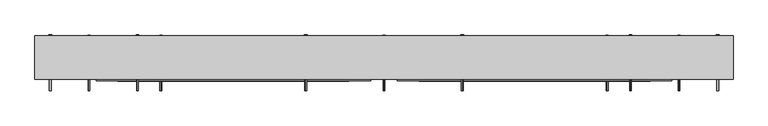
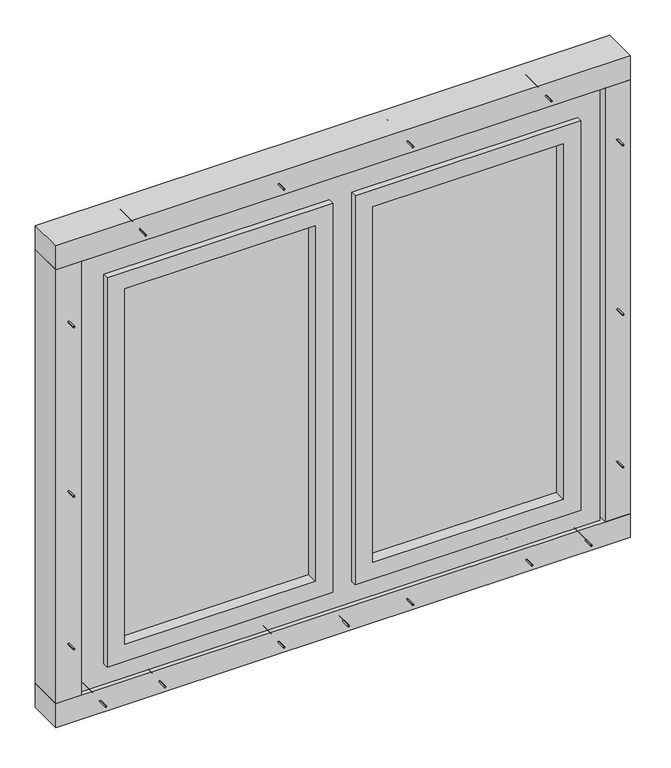
"""IFC4 building model written with IfcOpenShell, lengths in millimetres: proxy geometry."""

from ifc_helpers import new_model, si_unit, point, frame, frame_2d, origin, origin_with_axes, place, context, project, spatial, polyline, circle_curve, trimmed, segment, composite_curve, outline, extrude, source, transform, mapped, element, save


def generic_models_6074ea11(model_context):
    return source(origin(), model_context, "Body", "SweptSolid", [
        extrude(outline(polyline([(865.0, -25.0), (222.5, -25.0), (222.5, -15.0), (865.0, -15.0), (865.0, -25.0)])), frame((0.0, 0.0, 220.0), z_axis=(0.0, 0.0, 1.0), x_axis=(1.0, 0.0, 0.0)), (0.0, 0.0, 1.0), 1270.0),
        extrude(outline(polyline([(1625.0, 1000.0), (1625.0, -750.0), (85.0, -750.0), (85.0, 1000.0), (1625.0, 1000.0)]), holes=[polyline([(160.0, 925.0), (160.0, 162.5), (1550.0, 162.5), (1550.0, 925.0), (160.0, 925.0)]), polyline([(160.0, -675.0), (1550.0, -675.0), (1550.0, 87.5), (160.0, 87.5), (160.0, -675.0)])]), frame((0.0, -45.0, 0.0), z_axis=(0.0, 1.0, 0.0), x_axis=(0.0, 0.0, 1.0)), (0.0, 0.0, 1.0), 90.0),
        extrude(outline(polyline([(160.0, 925.0), (1550.0, 925.0), (1550.0, 162.5), (160.0, 162.5), (160.0, 925.0)]), holes=[polyline([(1490.0, 865.0), (220.0, 865.0), (220.0, 222.5), (1490.0, 222.5), (1490.0, 865.0)])]), frame((0.0, -65.0, 0.0), z_axis=(0.0, 1.0, 0.0), x_axis=(0.0, 0.0, 1.0)), (0.0, 0.0, 1.0), 90.0),
        extrude(outline(polyline([(-615.0, -25.0), (-615.0, -15.0), (27.5, -15.0), (27.5, -25.0), (-615.0, -25.0)])), frame((0.0, 0.0, 220.0), z_axis=(0.0, 0.0, 1.0), x_axis=(1.0, 0.0, 0.0)), (0.0, 0.0, 1.0), 1270.0),
        extrude(outline(polyline([(160.0, 87.5), (1550.0, 87.5), (1550.0, -675.0), (160.0, -675.0), (160.0, 87.5)]), holes=[polyline([(1490.0, 27.5), (220.0, 27.5), (220.0, -615.0), (1490.0, -615.0), (1490.0, 27.5)])]), frame((0.0, -65.0, 0.0), z_axis=(0.0, 1.0, 0.0), x_axis=(0.0, 0.0, 1.0)), (0.0, 0.0, 1.0), 90.0),
        extrude(outline(composite_curve([segment(trimmed(circle_curve(frame_2d((-525.0, 0.0)), 2.4700592), [point((-525.0, -2.4700592))], [point((-525.0, 2.4700592))], False, "CARTESIAN"), True, "CONTINUOUS"), segment(trimmed(circle_curve(frame_2d((-525.0, 0.0)), 2.4700592), [point((-525.0, 2.4700592))], [point((-525.0, -2.4700592))], False, "CARTESIAN"), True, "CONTINUOUS")], self_intersect=False)), frame((0.0, 0.0, 1550.0), z_axis=(0.0, 0.0, 1.0), x_axis=(1.0, 0.0, 0.0)), (0.0, 0.0, 1.0), 145.0),
        extrude(outline(composite_curve([segment(trimmed(circle_curve(frame_2d((-525.0, 0.0)), 3.8), [point((-525.0, -3.8))], [point((-525.0, 3.8))], False, "CARTESIAN"), True, "CONTINUOUS"), segment(trimmed(circle_curve(frame_2d((-525.0, 0.0)), 3.8), [point((-525.0, 3.8))], [point((-525.0, -3.8))], False, "CARTESIAN"), True, "CONTINUOUS")], self_intersect=False)), frame((0.0, 0.0, 1547.0), z_axis=(0.0, 0.0, 1.0), x_axis=(1.0, 0.0, 0.0)), (0.0, 0.0, 1.0), 3.0),
        extrude(outline(composite_curve([segment(trimmed(circle_curve(frame_2d((775.0, 0.0)), 2.4700592), [point((775.0, -2.4700592))], [point((775.0, 2.4700592))], False, "CARTESIAN"), True, "CONTINUOUS"), segment(trimmed(circle_curve(frame_2d((775.0, 0.0)), 2.4700592), [point((775.0, 2.4700592))], [point((775.0, -2.4700592))], False, "CARTESIAN"), True, "CONTINUOUS")], self_intersect=False)), frame((0.0, 0.0, 1550.0), z_axis=(0.0, 0.0, 1.0), x_axis=(1.0, 0.0, 0.0)), (0.0, 0.0, 1.0), 145.0),
        extrude(outline(composite_curve([segment(trimmed(circle_curve(frame_2d((775.0, 0.0)), 3.8), [point((775.0, -3.8))], [point((775.0, 3.8))], False, "CARTESIAN"), True, "CONTINUOUS"), segment(trimmed(circle_curve(frame_2d((775.0, 0.0)), 3.8), [point((775.0, 3.8))], [point((775.0, -3.8))], False, "CARTESIAN"), True, "CONTINUOUS")], self_intersect=False)), frame((0.0, 0.0, 1547.0), z_axis=(0.0, 0.0, 1.0), x_axis=(1.0, 0.0, 0.0)), (0.0, 0.0, 1.0), 3.0),
        extrude(outline(composite_curve([segment(trimmed(circle_curve(frame_2d((1677.5, 342.5)), 2.4700592), [point((1679.9700592, 342.5))], [point((1675.0299408, 342.5))], False, "CARTESIAN"), True, "CONTINUOUS"), segment(trimmed(circle_curve(frame_2d((1677.5, 342.5)), 2.4700592), [point((1675.0299408, 342.5))], [point((1679.9700592, 342.5))], False, "CARTESIAN"), True, "CONTINUOUS")], self_intersect=False)), frame((0.0, -92.0, 0.0), z_axis=(0.0, 1.0, 0.0), x_axis=(0.0, 0.0, 1.0)), (0.0, 0.0, 1.0), 152.0),
        extrude(outline(composite_curve([segment(trimmed(circle_curve(frame_2d((1677.5, 342.5)), 3.8), [point((1681.3, 342.5))], [point((1673.7, 342.5))], False, "CARTESIAN"), True, "CONTINUOUS"), segment(trimmed(circle_curve(frame_2d((1677.5, 342.5)), 3.8), [point((1673.7, 342.5))], [point((1681.3, 342.5))], False, "CARTESIAN"), True, "CONTINUOUS")], self_intersect=False)), frame((0.0, 60.0, 0.0), z_axis=(0.0, 1.0, 0.0), x_axis=(0.0, 0.0, 1.0)), (0.0, 0.0, 1.0), 3.0),
        extrude(outline(composite_curve([segment(trimmed(circle_curve(frame_2d((312.5, 0.0)), 2.4700592), [point((312.5, -2.4700592))], [point((312.5, 2.4700592))], False, "CARTESIAN"), True, "CONTINUOUS"), segment(trimmed(circle_curve(frame_2d((312.5, 0.0)), 2.4700592), [point((312.5, 2.4700592))], [point((312.5, -2.4700592))], False, "CARTESIAN"), True, "CONTINUOUS")], self_intersect=False)), frame((0.0, 0.0, 1550.0), z_axis=(0.0, 0.0, 1.0), x_axis=(1.0, 0.0, 0.0)), (0.0, 0.0, 1.0), 145.0),
        extrude(outline(composite_curve([segment(trimmed(circle_curve(frame_2d((312.5, 0.0)), 3.8), [point((312.5, -3.8))], [point((312.5, 3.8))], False, "CARTESIAN"), True, "CONTINUOUS"), segment(trimmed(circle_curve(frame_2d((312.5, 0.0)), 3.8), [point((312.5, 3.8))], [point((312.5, -3.8))], False, "CARTESIAN"), True, "CONTINUOUS")], self_intersect=False)), frame((0.0, 0.0, 1547.0), z_axis=(0.0, 0.0, 1.0), x_axis=(1.0, 0.0, 0.0)), (0.0, 0.0, 1.0), 3.0),
        extrude(outline(composite_curve([segment(trimmed(circle_curve(frame_2d((1677.5, -92.5)), 2.4700592), [point((1679.9700592, -92.5))], [point((1675.0299408, -92.5))], False, "CARTESIAN"), True, "CONTINUOUS"), segment(trimmed(circle_curve(frame_2d((1677.5, -92.5)), 2.4700592), [point((1675.0299408, -92.5))], [point((1679.9700592, -92.5))], False, "CARTESIAN"), True, "CONTINUOUS")], self_intersect=False)), frame((0.0, -92.0, 0.0), z_axis=(0.0, 1.0, 0.0), x_axis=(0.0, 0.0, 1.0)), (0.0, 0.0, 1.0), 152.0),
        extrude(outline(composite_curve([segment(trimmed(circle_curve(frame_2d((1677.5, -92.5)), 3.8), [point((1681.3, -92.5))], [point((1673.7, -92.5))], False, "CARTESIAN"), True, "CONTINUOUS"), segment(trimmed(circle_curve(frame_2d((1677.5, -92.5)), 3.8), [point((1673.7, -92.5))], [point((1681.3, -92.5))], False, "CARTESIAN"), True, "CONTINUOUS")], self_intersect=False)), frame((0.0, 60.0, 0.0), z_axis=(0.0, 1.0, 0.0), x_axis=(0.0, 0.0, 1.0)), (0.0, 0.0, 1.0), 3.0),
        extrude(outline(composite_curve([segment(trimmed(circle_curve(frame_2d((-62.5, 0.0)), 2.4700592), [point((-62.5, -2.4700592))], [point((-62.5, 2.4700592))], False, "CARTESIAN"), True, "CONTINUOUS"), segment(trimmed(circle_curve(frame_2d((-62.5, 0.0)), 2.4700592), [point((-62.5, 2.4700592))], [point((-62.5, -2.4700592))], False, "CARTESIAN"), True, "CONTINUOUS")], self_intersect=False)), frame((0.0, 0.0, 1550.0), z_axis=(0.0, 0.0, 1.0), x_axis=(1.0, 0.0, 0.0)), (0.0, 0.0, 1.0), 145.0),
        extrude(outline(composite_curve([segment(trimmed(circle_curve(frame_2d((-62.5, 0.0)), 3.8), [point((-62.5, -3.8))], [point((-62.5, 3.8))], False, "CARTESIAN"), True, "CONTINUOUS"), segment(trimmed(circle_curve(frame_2d((-62.5, 0.0)), 3.8), [point((-62.5, 3.8))], [point((-62.5, -3.8))], False, "CARTESIAN"), True, "CONTINUOUS")], self_intersect=False)), frame((0.0, 0.0, 1547.0), z_axis=(0.0, 0.0, 1.0), x_axis=(1.0, 0.0, 0.0)), (0.0, 0.0, 1.0), 3.0),
        extrude(outline(composite_curve([segment(trimmed(circle_curve(frame_2d((1677.5, -560.0)), 2.4700592), [point((1679.9700592, -560.0))], [point((1675.0299408, -560.0))], False, "CARTESIAN"), True, "CONTINUOUS"), segment(trimmed(circle_curve(frame_2d((1677.5, -560.0)), 2.4700592), [point((1675.0299408, -560.0))], [point((1679.9700592, -560.0))], False, "CARTESIAN"), True, "CONTINUOUS")], self_intersect=False)), frame((0.0, -92.0, 0.0), z_axis=(0.0, 1.0, 0.0), x_axis=(0.0, 0.0, 1.0)), (0.0, 0.0, 1.0), 152.0),
        extrude(outline(composite_curve([segment(trimmed(circle_curve(frame_2d((1677.5, -560.0)), 3.8), [point((1681.3, -560.0))], [point((1673.7, -560.0))], False, "CARTESIAN"), True, "CONTINUOUS"), segment(trimmed(circle_curve(frame_2d((1677.5, -560.0)), 3.8), [point((1673.7, -560.0))], [point((1681.3, -560.0))], False, "CARTESIAN"), True, "CONTINUOUS")], self_intersect=False)), frame((0.0, 60.0, 0.0), z_axis=(0.0, 1.0, 0.0), x_axis=(0.0, 0.0, 1.0)), (0.0, 0.0, 1.0), 3.0),
        extrude(outline(composite_curve([segment(trimmed(circle_curve(frame_2d((1677.5, 810.0)), 2.4700592), [point((1679.9700592, 810.0))], [point((1675.0299408, 810.0))], False, "CARTESIAN"), True, "CONTINUOUS"), segment(trimmed(circle_curve(frame_2d((1677.5, 810.0)), 2.4700592), [point((1675.0299408, 810.0))], [point((1679.9700592, 810.0))], False, "CARTESIAN"), True, "CONTINUOUS")], self_intersect=False)), frame((0.0, -92.0, 0.0), z_axis=(0.0, 1.0, 0.0), x_axis=(0.0, 0.0, 1.0)), (0.0, 0.0, 1.0), 152.0),
        extrude(outline(composite_curve([segment(trimmed(circle_curve(frame_2d((1677.5, 810.0)), 3.8), [point((1681.3, 810.0))], [point((1673.7, 810.0))], False, "CARTESIAN"), True, "CONTINUOUS"), segment(trimmed(circle_curve(frame_2d((1677.5, 810.0)), 3.8), [point((1673.7, 810.0))], [point((1681.3, 810.0))], False, "CARTESIAN"), True, "CONTINUOUS")], self_intersect=False)), frame((0.0, 60.0, 0.0), z_axis=(0.0, 1.0, 0.0), x_axis=(0.0, 0.0, 1.0)), (0.0, 0.0, 1.0), 3.0),
        extrude(outline(polyline([(1095.0, -60.0), (-845.0, -60.0), (-845.0, 60.0), (1095.0, 60.0), (1095.0, -60.0)])), frame((0.0, 0.0, 1635.0), z_axis=(0.0, 0.0, 1.0), x_axis=(1.0, 0.0, 0.0)), (0.0, 0.0, 1.0), 85.0),
        extrude(outline(composite_curve([segment(trimmed(circle_curve(frame_2d((42.5, -495.0)), 2.4700592), [point((44.9700592, -495.0))], [point((40.0299408, -495.0))], False, "CARTESIAN"), True, "CONTINUOUS"), segment(trimmed(circle_curve(frame_2d((42.5, -495.0)), 2.4700592), [point((40.0299408, -495.0))], [point((44.9700592, -495.0))], False, "CARTESIAN"), True, "CONTINUOUS")], self_intersect=False)), frame((0.0, -92.0, 0.0), z_axis=(0.0, 1.0, 0.0), x_axis=(0.0, 0.0, 1.0)), (0.0, 0.0, 1.0), 152.0),
        extrude(outline(composite_curve([segment(trimmed(circle_curve(frame_2d((42.5, -495.0)), 3.8), [point((46.3, -495.0))], [point((38.7, -495.0))], False, "CARTESIAN"), True, "CONTINUOUS"), segment(trimmed(circle_curve(frame_2d((42.5, -495.0)), 3.8), [point((38.7, -495.0))], [point((46.3, -495.0))], False, "CARTESIAN"), True, "CONTINUOUS")], self_intersect=False)), frame((0.0, 60.0, 0.0), z_axis=(0.0, 1.0, 0.0), x_axis=(0.0, 0.0, 1.0)), (0.0, 0.0, 1.0), 3.0),
        extrude(outline(composite_curve([segment(trimmed(circle_curve(frame_2d((-525.0, 0.0)), 2.4700592), [point((-525.0, -2.4700592))], [point((-525.0, 2.4700592))], False, "CARTESIAN"), True, "CONTINUOUS"), segment(trimmed(circle_curve(frame_2d((-525.0, 0.0)), 2.4700592), [point((-525.0, 2.4700592))], [point((-525.0, -2.4700592))], False, "CARTESIAN"), True, "CONTINUOUS")], self_intersect=False)), frame((0.0, 0.0, 25.0), z_axis=(0.0, 0.0, 1.0), x_axis=(1.0, 0.0, 0.0)), (0.0, 0.0, 1.0), 135.0),
        extrude(outline(composite_curve([segment(trimmed(circle_curve(frame_2d((-525.0, 0.0)), 3.8), [point((-525.0, -3.8))], [point((-525.0, 3.8))], False, "CARTESIAN"), True, "CONTINUOUS"), segment(trimmed(circle_curve(frame_2d((-525.0, 0.0)), 3.8), [point((-525.0, 3.8))], [point((-525.0, -3.8))], False, "CARTESIAN"), True, "CONTINUOUS")], self_intersect=False)), frame((0.0, 0.0, 160.0), z_axis=(0.0, 0.0, 1.0), x_axis=(1.0, 0.0, 0.0)), (0.0, 0.0, 1.0), 3.0),
        extrude(outline(composite_curve([segment(trimmed(circle_curve(frame_2d((42.5, -92.5)), 2.4700592), [point((44.9700592, -92.5))], [point((40.0299408, -92.5))], False, "CARTESIAN"), True, "CONTINUOUS"), segment(trimmed(circle_curve(frame_2d((42.5, -92.5)), 2.4700592), [point((40.0299408, -92.5))], [point((44.9700592, -92.5))], False, "CARTESIAN"), True, "CONTINUOUS")], self_intersect=False)), frame((0.0, -92.0, 0.0), z_axis=(0.0, 1.0, 0.0), x_axis=(0.0, 0.0, 1.0)), (0.0, 0.0, 1.0), 152.0),
        extrude(outline(composite_curve([segment(trimmed(circle_curve(frame_2d((42.5, -92.5)), 3.8), [point((46.3, -92.5))], [point((38.7, -92.5))], False, "CARTESIAN"), True, "CONTINUOUS"), segment(trimmed(circle_curve(frame_2d((42.5, -92.5)), 3.8), [point((38.7, -92.5))], [point((46.3, -92.5))], False, "CARTESIAN"), True, "CONTINUOUS")], self_intersect=False)), frame((0.0, 60.0, 0.0), z_axis=(0.0, 1.0, 0.0), x_axis=(0.0, 0.0, 1.0)), (0.0, 0.0, 1.0), 3.0),
        extrude(outline(composite_curve([segment(trimmed(circle_curve(frame_2d((-62.5, 0.0)), 2.4700592), [point((-62.5, -2.4700592))], [point((-62.5, 2.4700592))], False, "CARTESIAN"), True, "CONTINUOUS"), segment(trimmed(circle_curve(frame_2d((-62.5, 0.0)), 2.4700592), [point((-62.5, 2.4700592))], [point((-62.5, -2.4700592))], False, "CARTESIAN"), True, "CONTINUOUS")], self_intersect=False)), frame((0.0, 0.0, 25.0), z_axis=(0.0, 0.0, 1.0), x_axis=(1.0, 0.0, 0.0)), (0.0, 0.0, 1.0), 135.0),
        extrude(outline(composite_curve([segment(trimmed(circle_curve(frame_2d((-62.5, 0.0)), 3.8), [point((-62.5, -3.8))], [point((-62.5, 3.8))], False, "CARTESIAN"), True, "CONTINUOUS"), segment(trimmed(circle_curve(frame_2d((-62.5, 0.0)), 3.8), [point((-62.5, 3.8))], [point((-62.5, -3.8))], False, "CARTESIAN"), True, "CONTINUOUS")], self_intersect=False)), frame((0.0, 0.0, 160.0), z_axis=(0.0, 0.0, 1.0), x_axis=(1.0, 0.0, 0.0)), (0.0, 0.0, 1.0), 3.0),
        extrude(outline(composite_curve([segment(trimmed(circle_curve(frame_2d((42.5, 745.0)), 2.4700592), [point((44.9700592, 745.0))], [point((40.0299408, 745.0))], False, "CARTESIAN"), True, "CONTINUOUS"), segment(trimmed(circle_curve(frame_2d((42.5, 745.0)), 2.4700592), [point((40.0299408, 745.0))], [point((44.9700592, 745.0))], False, "CARTESIAN"), True, "CONTINUOUS")], self_intersect=False)), frame((0.0, -92.0, 0.0), z_axis=(0.0, 1.0, 0.0), x_axis=(0.0, 0.0, 1.0)), (0.0, 0.0, 1.0), 152.0),
        extrude(outline(composite_curve([segment(trimmed(circle_curve(frame_2d((42.5, 745.0)), 3.8), [point((46.3, 745.0))], [point((38.7, 745.0))], False, "CARTESIAN"), True, "CONTINUOUS"), segment(trimmed(circle_curve(frame_2d((42.5, 745.0)), 3.8), [point((38.7, 745.0))], [point((46.3, 745.0))], False, "CARTESIAN"), True, "CONTINUOUS")], self_intersect=False)), frame((0.0, 60.0, 0.0), z_axis=(0.0, 1.0, 0.0), x_axis=(0.0, 0.0, 1.0)), (0.0, 0.0, 1.0), 3.0),
        extrude(outline(composite_curve([segment(trimmed(circle_curve(frame_2d((775.0, 0.0)), 2.4700592), [point((775.0, -2.4700592))], [point((775.0, 2.4700592))], False, "CARTESIAN"), True, "CONTINUOUS"), segment(trimmed(circle_curve(frame_2d((775.0, 0.0)), 2.4700592), [point((775.0, 2.4700592))], [point((775.0, -2.4700592))], False, "CARTESIAN"), True, "CONTINUOUS")], self_intersect=False)), frame((0.0, 0.0, 25.0), z_axis=(0.0, 0.0, 1.0), x_axis=(1.0, 0.0, 0.0)), (0.0, 0.0, 1.0), 135.0),
        extrude(outline(composite_curve([segment(trimmed(circle_curve(frame_2d((775.0, 0.0)), 3.8), [point((775.0, -3.8))], [point((775.0, 3.8))], False, "CARTESIAN"), True, "CONTINUOUS"), segment(trimmed(circle_curve(frame_2d((775.0, 0.0)), 3.8), [point((775.0, 3.8))], [point((775.0, -3.8))], False, "CARTESIAN"), True, "CONTINUOUS")], self_intersect=False)), frame((0.0, 0.0, 160.0), z_axis=(0.0, 0.0, 1.0), x_axis=(1.0, 0.0, 0.0)), (0.0, 0.0, 1.0), 3.0),
        extrude(outline(composite_curve([segment(trimmed(circle_curve(frame_2d((42.5, 342.5)), 2.4700592), [point((44.9700592, 342.5))], [point((40.0299408, 342.5))], False, "CARTESIAN"), True, "CONTINUOUS"), segment(trimmed(circle_curve(frame_2d((42.5, 342.5)), 2.4700592), [point((40.0299408, 342.5))], [point((44.9700592, 342.5))], False, "CARTESIAN"), True, "CONTINUOUS")], self_intersect=False)), frame((0.0, -92.0, 0.0), z_axis=(0.0, 1.0, 0.0), x_axis=(0.0, 0.0, 1.0)), (0.0, 0.0, 1.0), 152.0),
        extrude(outline(composite_curve([segment(trimmed(circle_curve(frame_2d((42.5, 342.5)), 3.8), [point((46.3, 342.5))], [point((38.7, 342.5))], False, "CARTESIAN"), True, "CONTINUOUS"), segment(trimmed(circle_curve(frame_2d((42.5, 342.5)), 3.8), [point((38.7, 342.5))], [point((46.3, 342.5))], False, "CARTESIAN"), True, "CONTINUOUS")], self_intersect=False)), frame((0.0, 60.0, 0.0), z_axis=(0.0, 1.0, 0.0), x_axis=(0.0, 0.0, 1.0)), (0.0, 0.0, 1.0), 3.0),
        extrude(outline(composite_curve([segment(trimmed(circle_curve(frame_2d((312.5, 0.0)), 2.4700592), [point((312.5, -2.4700592))], [point((312.5, 2.4700592))], False, "CARTESIAN"), True, "CONTINUOUS"), segment(trimmed(circle_curve(frame_2d((312.5, 0.0)), 2.4700592), [point((312.5, 2.4700592))], [point((312.5, -2.4700592))], False, "CARTESIAN"), True, "CONTINUOUS")], self_intersect=False)), frame((0.0, 0.0, 25.0), z_axis=(0.0, 0.0, 1.0), x_axis=(1.0, 0.0, 0.0)), (0.0, 0.0, 1.0), 135.0),
        extrude(outline(composite_curve([segment(trimmed(circle_curve(frame_2d((312.5, 0.0)), 3.8), [point((312.5, -3.8))], [point((312.5, 3.8))], False, "CARTESIAN"), True, "CONTINUOUS"), segment(trimmed(circle_curve(frame_2d((312.5, 0.0)), 3.8), [point((312.5, 3.8))], [point((312.5, -3.8))], False, "CARTESIAN"), True, "CONTINUOUS")], self_intersect=False)), frame((0.0, 0.0, 160.0), z_axis=(0.0, 0.0, 1.0), x_axis=(1.0, 0.0, 0.0)), (0.0, 0.0, 1.0), 3.0),
        extrude(outline(composite_curve([segment(trimmed(circle_curve(frame_2d((42.5, 125.0)), 2.4700592), [point((44.9700592, 125.0))], [point((40.0299408, 125.0))], False, "CARTESIAN"), True, "CONTINUOUS"), segment(trimmed(circle_curve(frame_2d((42.5, 125.0)), 2.4700592), [point((40.0299408, 125.0))], [point((44.9700592, 125.0))], False, "CARTESIAN"), True, "CONTINUOUS")], self_intersect=False)), frame((0.0, -92.0, 0.0), z_axis=(0.0, 1.0, 0.0), x_axis=(0.0, 0.0, 1.0)), (0.0, 0.0, 1.0), 152.0),
        extrude(outline(composite_curve([segment(trimmed(circle_curve(frame_2d((42.5, 125.0)), 3.8), [point((46.3, 125.0))], [point((38.7, 125.0))], False, "CARTESIAN"), True, "CONTINUOUS"), segment(trimmed(circle_curve(frame_2d((42.5, 125.0)), 3.8), [point((38.7, 125.0))], [point((46.3, 125.0))], False, "CARTESIAN"), True, "CONTINUOUS")], self_intersect=False)), frame((0.0, 60.0, 0.0), z_axis=(0.0, 1.0, 0.0), x_axis=(0.0, 0.0, 1.0)), (0.0, 0.0, 1.0), 3.0),
        extrude(outline(composite_curve([segment(trimmed(circle_curve(frame_2d((42.5, -695.0)), 2.4700592), [point((44.9700592, -695.0))], [point((40.0299408, -695.0))], False, "CARTESIAN"), True, "CONTINUOUS"), segment(trimmed(circle_curve(frame_2d((42.5, -695.0)), 2.4700592), [point((40.0299408, -695.0))], [point((44.9700592, -695.0))], False, "CARTESIAN"), True, "CONTINUOUS")], self_intersect=False)), frame((0.0, -92.0, 0.0), z_axis=(0.0, 1.0, 0.0), x_axis=(0.0, 0.0, 1.0)), (0.0, 0.0, 1.0), 152.0),
        extrude(outline(composite_curve([segment(trimmed(circle_curve(frame_2d((42.5, -695.0)), 3.8), [point((46.3, -695.0))], [point((38.7, -695.0))], False, "CARTESIAN"), True, "CONTINUOUS"), segment(trimmed(circle_curve(frame_2d((42.5, -695.0)), 3.8), [point((38.7, -695.0))], [point((46.3, -695.0))], False, "CARTESIAN"), True, "CONTINUOUS")], self_intersect=False)), frame((0.0, 60.0, 0.0), z_axis=(0.0, 1.0, 0.0), x_axis=(0.0, 0.0, 1.0)), (0.0, 0.0, 1.0), 3.0),
        extrude(outline(composite_curve([segment(trimmed(circle_curve(frame_2d((42.5, 945.0)), 2.4700592), [point((44.9700592, 945.0))], [point((40.0299408, 945.0))], False, "CARTESIAN"), True, "CONTINUOUS"), segment(trimmed(circle_curve(frame_2d((42.5, 945.0)), 2.4700592), [point((40.0299408, 945.0))], [point((44.9700592, 945.0))], False, "CARTESIAN"), True, "CONTINUOUS")], self_intersect=False)), frame((0.0, -92.0, 0.0), z_axis=(0.0, 1.0, 0.0), x_axis=(0.0, 0.0, 1.0)), (0.0, 0.0, 1.0), 152.0),
        extrude(outline(composite_curve([segment(trimmed(circle_curve(frame_2d((42.5, 945.0)), 3.8), [point((46.3, 945.0))], [point((38.7, 945.0))], False, "CARTESIAN"), True, "CONTINUOUS"), segment(trimmed(circle_curve(frame_2d((42.5, 945.0)), 3.8), [point((38.7, 945.0))], [point((46.3, 945.0))], False, "CARTESIAN"), True, "CONTINUOUS")], self_intersect=False)), frame((0.0, 60.0, 0.0), z_axis=(0.0, 1.0, 0.0), x_axis=(0.0, 0.0, 1.0)), (0.0, 0.0, 1.0), 3.0),
        extrude(outline(polyline([(1095.0, -60.0), (-845.0, -60.0), (-845.0, 60.0), (1095.0, 60.0), (1095.0, -60.0)])), origin_with_axes(), (0.0, 0.0, 1.0), 85.0),
        extrude(outline(composite_curve([segment(trimmed(circle_curve(frame_2d((0.0, 310.0)), 2.4700592), [point((-2.4700592, 310.0))], [point((2.4700592, 310.0))], False, "CARTESIAN"), True, "CONTINUOUS"), segment(trimmed(circle_curve(frame_2d((0.0, 310.0)), 2.4700592), [point((2.4700592, 310.0))], [point((-2.4700592, 310.0))], False, "CARTESIAN"), True, "CONTINUOUS")], self_intersect=False)), frame((-820.0, 0.0, 0.0), z_axis=(1.0, 0.0, 0.0), x_axis=(0.0, 1.0, 0.0)), (0.0, 0.0, 1.0), 145.0),
        extrude(outline(composite_curve([segment(trimmed(circle_curve(frame_2d((0.0, 310.0)), 3.8), [point((-3.8, 310.0))], [point((3.8, 310.0))], False, "CARTESIAN"), True, "CONTINUOUS"), segment(trimmed(circle_curve(frame_2d((0.0, 310.0)), 3.8), [point((3.8, 310.0))], [point((-3.8, 310.0))], False, "CARTESIAN"), True, "CONTINUOUS")], self_intersect=False)), frame((-675.0, 0.0, 0.0), z_axis=(1.0, 0.0, 0.0), x_axis=(0.0, 1.0, 0.0)), (0.0, 0.0, 1.0), 3.0),
        extrude(outline(composite_curve([segment(trimmed(circle_curve(frame_2d((0.0, 1400.0)), 2.4700592), [point((-2.4700592, 1400.0))], [point((2.4700592, 1400.0))], False, "CARTESIAN"), True, "CONTINUOUS"), segment(trimmed(circle_curve(frame_2d((0.0, 1400.0)), 2.4700592), [point((2.4700592, 1400.0))], [point((-2.4700592, 1400.0))], False, "CARTESIAN"), True, "CONTINUOUS")], self_intersect=False)), frame((-820.0, 0.0, 0.0), z_axis=(1.0, 0.0, 0.0), x_axis=(0.0, 1.0, 0.0)), (0.0, 0.0, 1.0), 145.0),
        extrude(outline(composite_curve([segment(trimmed(circle_curve(frame_2d((0.0, 1400.0)), 3.8), [point((-3.8, 1400.0))], [point((3.8, 1400.0))], False, "CARTESIAN"), True, "CONTINUOUS"), segment(trimmed(circle_curve(frame_2d((0.0, 1400.0)), 3.8), [point((3.8, 1400.0))], [point((-3.8, 1400.0))], False, "CARTESIAN"), True, "CONTINUOUS")], self_intersect=False)), frame((-675.0, 0.0, 0.0), z_axis=(1.0, 0.0, 0.0), x_axis=(0.0, 1.0, 0.0)), (0.0, 0.0, 1.0), 3.0),
        extrude(outline(composite_curve([segment(trimmed(circle_curve(frame_2d((830.0, -802.5)), 2.4700592), [point((830.0, -804.9700592))], [point((830.0, -800.0299408))], False, "CARTESIAN"), True, "CONTINUOUS"), segment(trimmed(circle_curve(frame_2d((830.0, -802.5)), 2.4700592), [point((830.0, -800.0299408))], [point((830.0, -804.9700592))], False, "CARTESIAN"), True, "CONTINUOUS")], self_intersect=False)), frame((0.0, -92.0, 0.0), z_axis=(0.0, 1.0, 0.0), x_axis=(0.0, 0.0, 1.0)), (0.0, 0.0, 1.0), 152.0),
        extrude(outline(composite_curve([segment(trimmed(circle_curve(frame_2d((830.0, -802.5)), 3.8), [point((830.0, -806.3))], [point((830.0, -798.7))], False, "CARTESIAN"), True, "CONTINUOUS"), segment(trimmed(circle_curve(frame_2d((830.0, -802.5)), 3.8), [point((830.0, -798.7))], [point((830.0, -806.3))], False, "CARTESIAN"), True, "CONTINUOUS")], self_intersect=False)), frame((0.0, 60.0, 0.0), z_axis=(0.0, 1.0, 0.0), x_axis=(0.0, 0.0, 1.0)), (0.0, 0.0, 1.0), 3.0),
        extrude(outline(composite_curve([segment(trimmed(circle_curve(frame_2d((0.0, 860.0)), 2.4700592), [point((-2.4700592, 860.0))], [point((2.4700592, 860.0))], False, "CARTESIAN"), True, "CONTINUOUS"), segment(trimmed(circle_curve(frame_2d((0.0, 860.0)), 2.4700592), [point((2.4700592, 860.0))], [point((-2.4700592, 860.0))], False, "CARTESIAN"), True, "CONTINUOUS")], self_intersect=False)), frame((-820.0, 0.0, 0.0), z_axis=(1.0, 0.0, 0.0), x_axis=(0.0, 1.0, 0.0)), (0.0, 0.0, 1.0), 145.0),
        extrude(outline(composite_curve([segment(trimmed(circle_curve(frame_2d((0.0, 860.0)), 3.8), [point((-3.8, 860.0))], [point((3.8, 860.0))], False, "CARTESIAN"), True, "CONTINUOUS"), segment(trimmed(circle_curve(frame_2d((0.0, 860.0)), 3.8), [point((3.8, 860.0))], [point((-3.8, 860.0))], False, "CARTESIAN"), True, "CONTINUOUS")], self_intersect=False)), frame((-675.0, 0.0, 0.0), z_axis=(1.0, 0.0, 0.0), x_axis=(0.0, 1.0, 0.0)), (0.0, 0.0, 1.0), 3.0),
        extrude(outline(composite_curve([segment(trimmed(circle_curve(frame_2d((1435.0, -802.5)), 2.4700592), [point((1435.0, -804.9700592))], [point((1435.0, -800.0299408))], False, "CARTESIAN"), True, "CONTINUOUS"), segment(trimmed(circle_curve(frame_2d((1435.0, -802.5)), 2.4700592), [point((1435.0, -800.0299408))], [point((1435.0, -804.9700592))], False, "CARTESIAN"), True, "CONTINUOUS")], self_intersect=False)), frame((0.0, -92.0, 0.0), z_axis=(0.0, 1.0, 0.0), x_axis=(0.0, 0.0, 1.0)), (0.0, 0.0, 1.0), 152.0),
        extrude(outline(composite_curve([segment(trimmed(circle_curve(frame_2d((1435.0, -802.5)), 3.8), [point((1435.0, -806.3))], [point((1435.0, -798.7))], False, "CARTESIAN"), True, "CONTINUOUS"), segment(trimmed(circle_curve(frame_2d((1435.0, -802.5)), 3.8), [point((1435.0, -798.7))], [point((1435.0, -806.3))], False, "CARTESIAN"), True, "CONTINUOUS")], self_intersect=False)), frame((0.0, 60.0, 0.0), z_axis=(0.0, 1.0, 0.0), x_axis=(0.0, 0.0, 1.0)), (0.0, 0.0, 1.0), 3.0),
        extrude(outline(composite_curve([segment(trimmed(circle_curve(frame_2d((285.0, -802.5)), 2.4700592), [point((285.0, -804.9700592))], [point((285.0, -800.0299408))], False, "CARTESIAN"), True, "CONTINUOUS"), segment(trimmed(circle_curve(frame_2d((285.0, -802.5)), 2.4700592), [point((285.0, -800.0299408))], [point((285.0, -804.9700592))], False, "CARTESIAN"), True, "CONTINUOUS")], self_intersect=False)), frame((0.0, -92.0, 0.0), z_axis=(0.0, 1.0, 0.0), x_axis=(0.0, 0.0, 1.0)), (0.0, 0.0, 1.0), 152.0),
        extrude(outline(composite_curve([segment(trimmed(circle_curve(frame_2d((285.0, -802.5)), 3.8), [point((285.0, -806.3))], [point((285.0, -798.7))], False, "CARTESIAN"), True, "CONTINUOUS"), segment(trimmed(circle_curve(frame_2d((285.0, -802.5)), 3.8), [point((285.0, -798.7))], [point((285.0, -806.3))], False, "CARTESIAN"), True, "CONTINUOUS")], self_intersect=False)), frame((0.0, 60.0, 0.0), z_axis=(0.0, 1.0, 0.0), x_axis=(0.0, 0.0, 1.0)), (0.0, 0.0, 1.0), 3.0),
        extrude(outline(polyline([(-845.0, -60.0), (-845.0, 60.0), (-760.0, 60.0), (-760.0, -60.0), (-845.0, -60.0)])), frame((0.0, 0.0, 85.0), z_axis=(0.0, 0.0, 1.0), x_axis=(1.0, 0.0, 0.0)), (0.0, 0.0, 1.0), 1550.0),
        extrude(outline(composite_curve([segment(trimmed(circle_curve(frame_2d((0.0, 310.0)), 2.4700592), [point((-2.4700592, 310.0))], [point((2.4700592, 310.0))], False, "CARTESIAN"), True, "CONTINUOUS"), segment(trimmed(circle_curve(frame_2d((0.0, 310.0)), 2.4700592), [point((2.4700592, 310.0))], [point((-2.4700592, 310.0))], False, "CARTESIAN"), True, "CONTINUOUS")], self_intersect=False)), frame((925.0, 0.0, 0.0), z_axis=(1.0, 0.0, 0.0), x_axis=(0.0, 1.0, 0.0)), (0.0, 0.0, 1.0), 145.0),
        extrude(outline(composite_curve([segment(trimmed(circle_curve(frame_2d((0.0, 310.0)), 3.8), [point((-3.8, 310.0))], [point((3.8, 310.0))], False, "CARTESIAN"), True, "CONTINUOUS"), segment(trimmed(circle_curve(frame_2d((0.0, 310.0)), 3.8), [point((3.8, 310.0))], [point((-3.8, 310.0))], False, "CARTESIAN"), True, "CONTINUOUS")], self_intersect=False)), frame((922.0, 0.0, 0.0), z_axis=(1.0, 0.0, 0.0), x_axis=(0.0, 1.0, 0.0)), (0.0, 0.0, 1.0), 3.0),
        extrude(outline(composite_curve([segment(trimmed(circle_curve(frame_2d((0.0, 1400.0)), 2.4700592), [point((-2.4700592, 1400.0))], [point((2.4700592, 1400.0))], False, "CARTESIAN"), True, "CONTINUOUS"), segment(trimmed(circle_curve(frame_2d((0.0, 1400.0)), 2.4700592), [point((2.4700592, 1400.0))], [point((-2.4700592, 1400.0))], False, "CARTESIAN"), True, "CONTINUOUS")], self_intersect=False)), frame((925.0, 0.0, 0.0), z_axis=(1.0, 0.0, 0.0), x_axis=(0.0, 1.0, 0.0)), (0.0, 0.0, 1.0), 145.0),
        extrude(outline(composite_curve([segment(trimmed(circle_curve(frame_2d((0.0, 1400.0)), 3.8), [point((-3.8, 1400.0))], [point((3.8, 1400.0))], False, "CARTESIAN"), True, "CONTINUOUS"), segment(trimmed(circle_curve(frame_2d((0.0, 1400.0)), 3.8), [point((3.8, 1400.0))], [point((-3.8, 1400.0))], False, "CARTESIAN"), True, "CONTINUOUS")], self_intersect=False)), frame((922.0, 0.0, 0.0), z_axis=(1.0, 0.0, 0.0), x_axis=(0.0, 1.0, 0.0)), (0.0, 0.0, 1.0), 3.0),
        extrude(outline(composite_curve([segment(trimmed(circle_curve(frame_2d((830.0, 1052.5)), 2.4700592), [point((830.0, 1054.9700592))], [point((830.0, 1050.0299408))], False, "CARTESIAN"), True, "CONTINUOUS"), segment(trimmed(circle_curve(frame_2d((830.0, 1052.5)), 2.4700592), [point((830.0, 1050.0299408))], [point((830.0, 1054.9700592))], False, "CARTESIAN"), True, "CONTINUOUS")], self_intersect=False)), frame((0.0, -92.0, 0.0), z_axis=(0.0, 1.0, 0.0), x_axis=(0.0, 0.0, 1.0)), (0.0, 0.0, 1.0), 152.0),
        extrude(outline(composite_curve([segment(trimmed(circle_curve(frame_2d((830.0, 1052.5)), 3.8), [point((830.0, 1056.3))], [point((830.0, 1048.7))], False, "CARTESIAN"), True, "CONTINUOUS"), segment(trimmed(circle_curve(frame_2d((830.0, 1052.5)), 3.8), [point((830.0, 1048.7))], [point((830.0, 1056.3))], False, "CARTESIAN"), True, "CONTINUOUS")], self_intersect=False)), frame((0.0, 60.0, 0.0), z_axis=(0.0, 1.0, 0.0), x_axis=(0.0, 0.0, 1.0)), (0.0, 0.0, 1.0), 3.0),
        extrude(outline(composite_curve([segment(trimmed(circle_curve(frame_2d((0.0, 860.0)), 2.4700592), [point((-2.4700592, 860.0))], [point((2.4700592, 860.0))], False, "CARTESIAN"), True, "CONTINUOUS"), segment(trimmed(circle_curve(frame_2d((0.0, 860.0)), 2.4700592), [point((2.4700592, 860.0))], [point((-2.4700592, 860.0))], False, "CARTESIAN"), True, "CONTINUOUS")], self_intersect=False)), frame((925.0, 0.0, 0.0), z_axis=(1.0, 0.0, 0.0), x_axis=(0.0, 1.0, 0.0)), (0.0, 0.0, 1.0), 145.0),
        extrude(outline(composite_curve([segment(trimmed(circle_curve(frame_2d((0.0, 860.0)), 3.8), [point((-3.8, 860.0))], [point((3.8, 860.0))], False, "CARTESIAN"), True, "CONTINUOUS"), segment(trimmed(circle_curve(frame_2d((0.0, 860.0)), 3.8), [point((3.8, 860.0))], [point((-3.8, 860.0))], False, "CARTESIAN"), True, "CONTINUOUS")], self_intersect=False)), frame((922.0, 0.0, 0.0), z_axis=(1.0, 0.0, 0.0), x_axis=(0.0, 1.0, 0.0)), (0.0, 0.0, 1.0), 3.0),
        extrude(outline(composite_curve([segment(trimmed(circle_curve(frame_2d((1435.0, 1052.5)), 2.4700592), [point((1435.0, 1054.9700592))], [point((1435.0, 1050.0299408))], False, "CARTESIAN"), True, "CONTINUOUS"), segment(trimmed(circle_curve(frame_2d((1435.0, 1052.5)), 2.4700592), [point((1435.0, 1050.0299408))], [point((1435.0, 1054.9700592))], False, "CARTESIAN"), True, "CONTINUOUS")], self_intersect=False)), frame((0.0, -92.0, 0.0), z_axis=(0.0, 1.0, 0.0), x_axis=(0.0, 0.0, 1.0)), (0.0, 0.0, 1.0), 152.0),
        extrude(outline(composite_curve([segment(trimmed(circle_curve(frame_2d((1435.0, 1052.5)), 3.8), [point((1435.0, 1056.3))], [point((1435.0, 1048.7))], False, "CARTESIAN"), True, "CONTINUOUS"), segment(trimmed(circle_curve(frame_2d((1435.0, 1052.5)), 3.8), [point((1435.0, 1048.7))], [point((1435.0, 1056.3))], False, "CARTESIAN"), True, "CONTINUOUS")], self_intersect=False)), frame((0.0, 60.0, 0.0), z_axis=(0.0, 1.0, 0.0), x_axis=(0.0, 0.0, 1.0)), (0.0, 0.0, 1.0), 3.0),
        extrude(outline(composite_curve([segment(trimmed(circle_curve(frame_2d((285.0, 1052.5)), 2.4700592), [point((285.0, 1054.9700592))], [point((285.0, 1050.0299408))], False, "CARTESIAN"), True, "CONTINUOUS"), segment(trimmed(circle_curve(frame_2d((285.0, 1052.5)), 2.4700592), [point((285.0, 1050.0299408))], [point((285.0, 1054.9700592))], False, "CARTESIAN"), True, "CONTINUOUS")], self_intersect=False)), frame((0.0, -92.0, 0.0), z_axis=(0.0, 1.0, 0.0), x_axis=(0.0, 0.0, 1.0)), (0.0, 0.0, 1.0), 152.0),
        extrude(outline(composite_curve([segment(trimmed(circle_curve(frame_2d((285.0, 1052.5)), 3.8), [point((285.0, 1056.3))], [point((285.0, 1048.7))], False, "CARTESIAN"), True, "CONTINUOUS"), segment(trimmed(circle_curve(frame_2d((285.0, 1052.5)), 3.8), [point((285.0, 1048.7))], [point((285.0, 1056.3))], False, "CARTESIAN"), True, "CONTINUOUS")], self_intersect=False)), frame((0.0, 60.0, 0.0), z_axis=(0.0, 1.0, 0.0), x_axis=(0.0, 0.0, 1.0)), (0.0, 0.0, 1.0), 3.0),
        extrude(outline(polyline([(1095.0, -60.0), (1010.0, -60.0), (1010.0, 60.0), (1095.0, 60.0), (1095.0, -60.0)])), frame((0.0, 0.0, 85.0), z_axis=(0.0, 0.0, 1.0), x_axis=(1.0, 0.0, 0.0)), (0.0, 0.0, 1.0), 1550.0),
    ])


if __name__ == "__main__":
    model = new_model("IFC4")
    model_context = context("Model", 3, world=origin())
    ifc_project = project(units=[si_unit("LENGTHUNIT", "METRE", prefix="MILLI")], contexts=[model_context])
    site = spatial("IfcSite", under=ifc_project)
    building = spatial("IfcBuilding", under=site)
    placement = place(None, origin())
    generic_models_shape = generic_models_6074ea11(model_context)
    element("IfcBuildingElementProxy", 1, Name="Generic Models", at=placement, inside=building, context=model_context, shape_type="MappedRepresentation", body=[
        mapped(generic_models_shape, transform((0.0, 0.0, 0.0), x_axis=(1.0, 0.0, 0.0), y_axis=(0.0, 1.0, 0.0), z_axis=(0.0, 0.0, 1.0))),
    ])
    save(model, "model.ifc")
